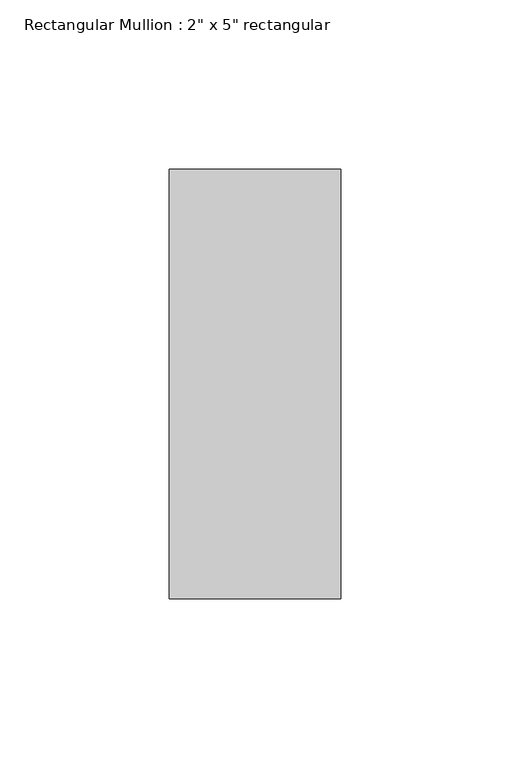
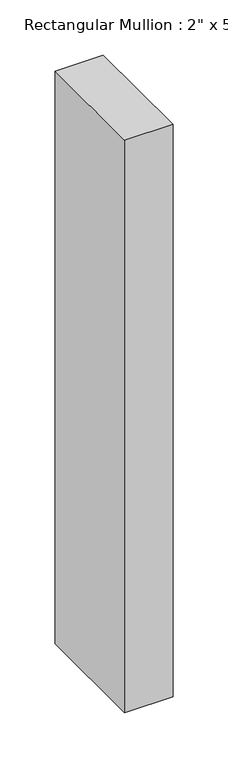
"""IFC4 building model written with IfcOpenShell, lengths in millimetres: member geometry."""

import ifcopenshell
import ifcopenshell.guid

model = None  # the IFC model being written
_history = None  # IfcOwnerHistory: only IFC2X3 demands one
_inside = {}  # id of a spatial element -> (the spatial element, [elements in it])
_under = {}  # id of a project, library or spatial element -> (it, [spatial elements below it])
_declared = {}  # id of a project -> (the project, [libraries it declares])
_typed = {}  # id of a type object -> (the type object, [elements of that type])
_made_of = {}  # id of a material, layer set ... -> (it, [elements and type objects made of it])


def new_model(schema):
    """Start an empty IFC model of exactly this schema.

    Asked for "IFC4X3", IfcOpenShell would pick the latest addendum, in which some entities
    have other attributes; the version numbers below select the first issue.
    IFC2X3 requires an IfcOwnerHistory on every rooted entity: one is made here for all.
    """
    global model, _history
    if schema == "IFC4X3":
        model = ifcopenshell.file(schema_version=(4, 3, 0, 0))
    else:
        model = ifcopenshell.file(schema=schema)
    _inside.clear()
    _under.clear()
    _declared.clear()
    _typed.clear()
    _made_of.clear()
    _history = None
    if model.schema == "IFC2X3":
        org = make("IfcOrganization", Name="unknown")
        user = make(
            "IfcPersonAndOrganization",
            ThePerson=make("IfcPerson", FamilyName="unknown"),
            TheOrganization=org,
        )
        app = make(
            "IfcApplication",
            ApplicationDeveloper=org,
            Version="unknown",
            ApplicationFullName="unknown",
            ApplicationIdentifier="unknown",
        )
        _history = make(
            "IfcOwnerHistory",
            OwningUser=user,
            OwningApplication=app,
            ChangeAction="ADDED",
            CreationDate=0,
        )
    return model


def make(cls, **values):
    """One entity of the class cls with the attributes given. An attribute that is None is left unset."""
    return model.create_entity(
        cls, **{name: value for name, value in values.items() if value is not None}
    )


def rooted(cls, **values):
    """An entity with a GlobalId (a new one), such as an element, a storey or a relation."""
    return make(cls, GlobalId=ifcopenshell.guid.new(), OwnerHistory=_history, **values)


def si_unit(unit_type, name, prefix=None):
    """IfcSIUnit, for example si_unit("LENGTHUNIT", "METRE", prefix="MILLI")."""
    return make("IfcSIUnit", UnitType=unit_type, Prefix=prefix, Name=name)


def assignment(units):
    """IfcUnitAssignment: the units of a project."""
    return None if units is None else make("IfcUnitAssignment", Units=units)


def point(xyz):
    """IfcCartesianPoint."""
    return None if xyz is None else make("IfcCartesianPoint", Coordinates=xyz)


def direction(xyz):
    """IfcDirection."""
    return None if xyz is None else make("IfcDirection", DirectionRatios=xyz)


def frame(location, z_axis=None, x_axis=None):
    """IfcAxis2Placement3D, a coordinate frame: its origin and axes. An axis left out is left unset."""
    return make(
        "IfcAxis2Placement3D",
        Location=point(location),
        Axis=direction(z_axis),
        RefDirection=direction(x_axis),
    )


def origin():
    """The frame at (0, 0, 0) with its axes left unset."""
    return frame((0.0, 0.0, 0.0))


def place(relative_to, where):
    """IfcLocalPlacement: puts the frame where relative to a parent placement (None: the world)."""
    return make(
        "IfcLocalPlacement", PlacementRelTo=relative_to, RelativePlacement=where
    )


def context(
    kind, dimensions, precision=None, world=None, true_north=None, identifier=None
):
    """IfcGeometricRepresentationContext, for example the 3D "Model" context."""
    return make(
        "IfcGeometricRepresentationContext",
        ContextIdentifier=identifier,
        ContextType=kind,
        CoordinateSpaceDimension=dimensions,
        Precision=precision,
        WorldCoordinateSystem=world,
        TrueNorth=true_north,
    )


def project(units=None, contexts=None):
    """IfcProject with its units and contexts."""
    return rooted(
        "IfcProject",
        Name="project",
        RepresentationContexts=contexts,
        UnitsInContext=assignment(units),
    )


def spatial(cls, under=None, at=None, **own):
    """A site, building, storey or space (cls), placed at a placement, below another one or the project."""
    s = rooted(cls, ObjectPlacement=at, **own)
    if under is not None:
        _under.setdefault(under.id(), (under, []))[1].append(s)
    return s


def polyline(points):
    """IfcPolyline through the points."""
    return make("IfcPolyline", Points=[point(p) for p in points])


def outline(outer, holes=None, kind="AREA"):
    """IfcArbitraryClosedProfileDef: a profile drawn as a closed curve; with holes, ...WithVoids."""
    if holes is None:
        return make("IfcArbitraryClosedProfileDef", ProfileType=kind, OuterCurve=outer)
    return make(
        "IfcArbitraryProfileDefWithVoids",
        ProfileType=kind,
        OuterCurve=outer,
        InnerCurves=holes,
    )


def extrude(swept, where, along, depth):
    """IfcExtrudedAreaSolid: the profile swept, set in the frame where, extruded along a direction by depth."""
    return make(
        "IfcExtrudedAreaSolid",
        SweptArea=swept,
        Position=where,
        ExtrudedDirection=direction(along),
        Depth=depth,
    )


def shape(context_of_items, identifier, shape_type, items):
    """IfcShapeRepresentation: the items that make up one representation, for example the "Body"."""
    return make(
        "IfcShapeRepresentation",
        ContextOfItems=context_of_items,
        RepresentationIdentifier=identifier,
        RepresentationType=shape_type,
        Items=items,
    )


def source(mapping_origin, context_of_items, identifier, shape_type, items):
    """IfcRepresentationMap: a shape defined once, which mapped items show again and again."""
    return make(
        "IfcRepresentationMap",
        MappingOrigin=mapping_origin,
        MappedRepresentation=shape(context_of_items, identifier, shape_type, items),
    )


def transform(
    local_origin,
    x_axis=None,
    y_axis=None,
    z_axis=None,
    scale=None,
    scale2=None,
    scale3=None,
    uniform=True,
):
    """IfcCartesianTransformationOperator3D, or its non-uniform kind. x_axis, y_axis, z_axis: its Axis1, 2, 3."""
    if uniform:
        return make(
            "IfcCartesianTransformationOperator3D",
            Axis1=direction(x_axis),
            Axis2=direction(y_axis),
            LocalOrigin=point(local_origin),
            Scale=scale,
            Axis3=direction(z_axis),
        )
    return make(
        "IfcCartesianTransformationOperator3DnonUniform",
        Axis1=direction(x_axis),
        Axis2=direction(y_axis),
        LocalOrigin=point(local_origin),
        Scale=scale,
        Axis3=direction(z_axis),
        Scale2=scale2,
        Scale3=scale3,
    )


def mapped(mapping_source, mapping_target):
    """IfcMappedItem: shows the shape of a source again, moved by a transform."""
    return make(
        "IfcMappedItem", MappingSource=mapping_source, MappingTarget=mapping_target
    )


def made_of(thing, what):
    """Note that an element or type object is made of a material, layer set ...; save() writes the relation."""
    if what is not None:
        _made_of.setdefault(what.id(), (what, []))[1].append(thing)
    return thing


def element(
    cls,
    number,
    at=None,
    inside=None,
    cuts=None,
    type_object=None,
    material=None,
    context=None,
    identifier="Body",
    shape_type=None,
    held_by="IfcProductDefinitionShape",
    body=None,
    shapes=None,
    **own,
):
    """One element of the class cls, such as IfcWall. Its Tag is "e" and its number.

    at: its placement. inside: the storey or other place that contains it. cuts: it is an
    opening in that element (IfcRelVoidsElement). A single representation is given by context,
    identifier, shape_type and body (its items); several are given by shapes. held_by: the class
    of the entity that holds the representations. save() writes the other relations.
    """
    e = rooted(cls, Tag="e%d" % number, ObjectPlacement=at, **own)
    if body is not None:
        shapes = [shape(context, identifier, shape_type, body)]
    if shapes is not None:
        e.Representation = make(held_by, Representations=shapes)
    if inside is not None:
        _inside.setdefault(inside.id(), (inside, []))[1].append(e)
    if cuts is not None:
        rooted(
            "IfcRelVoidsElement", RelatingBuildingElement=cuts, RelatedOpeningElement=e
        )
    if type_object is not None:
        _typed.setdefault(type_object.id(), (type_object, []))[1].append(e)
    return made_of(e, material)


def aggregate(whole, parts):
    """IfcRelAggregates: a whole, such as a stair, and the parts it consists of."""
    return rooted("IfcRelAggregates", RelatingObject=whole, RelatedObjects=parts)


def save(model, path):
    """Write the relations noted so far, then the file.

    IfcRelAggregates (storeys below a building ...), IfcRelContainedInSpatialStructure (elements
    in a storey), IfcRelDefinesByType, IfcRelAssociatesMaterial and IfcRelDeclares: one each for
    every whole, place, type object, material and project.
    """
    for whole, parts in _under.values():
        aggregate(whole, parts)
    for where, things in _inside.values():
        rooted(
            "IfcRelContainedInSpatialStructure",
            RelatedElements=things,
            RelatingStructure=where,
        )
    for kind, things in _typed.values():
        rooted("IfcRelDefinesByType", RelatedObjects=things, RelatingType=kind)
    for what, things in _made_of.values():
        rooted("IfcRelAssociatesMaterial", RelatedObjects=things, RelatingMaterial=what)
    for by, libraries in _declared.values():
        rooted("IfcRelDeclares", RelatingContext=by, RelatedDefinitions=libraries)
    model.write(path)


def member_9011786d(model_context):
    return source(origin(), model_context, "Body", "SweptSolid", [
        extrude(outline(polyline([(0.0, 63.5), (0.0, -63.5), (-50.8, -63.5), (-50.8, 63.5), (0.0, 63.5)])), frame((0.0, 0.0, -635.0), z_axis=(0.0, 0.0, 1.0), x_axis=(1.0, 0.0, 0.0)), (0.0, 0.0, 1.0), 635.0),
    ])


if __name__ == "__main__":
    model = new_model("IFC4")
    model_context = context("Model", 3, world=origin())
    ifc_project = project(units=[si_unit("LENGTHUNIT", "METRE", prefix="MILLI")], contexts=[model_context])
    site = spatial("IfcSite", under=ifc_project)
    building = spatial("IfcBuilding", under=site)
    placement = place(None, origin())
    member_shape = member_9011786d(model_context)
    element("IfcMember", 1, ObjectType="Rectangular Mullion : 2\" x 5\" rectangular", at=placement, inside=building, context=model_context, shape_type="MappedRepresentation", body=[
        mapped(member_shape, transform((0.0, 0.0, 0.0), x_axis=(1.0, 0.0, 0.0), y_axis=(0.0, 1.0, 0.0), z_axis=(0.0, 0.0, 1.0))),
    ])
    save(model, "model.ifc")
